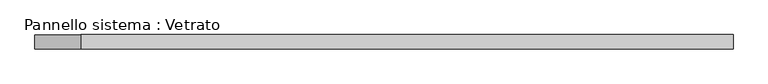
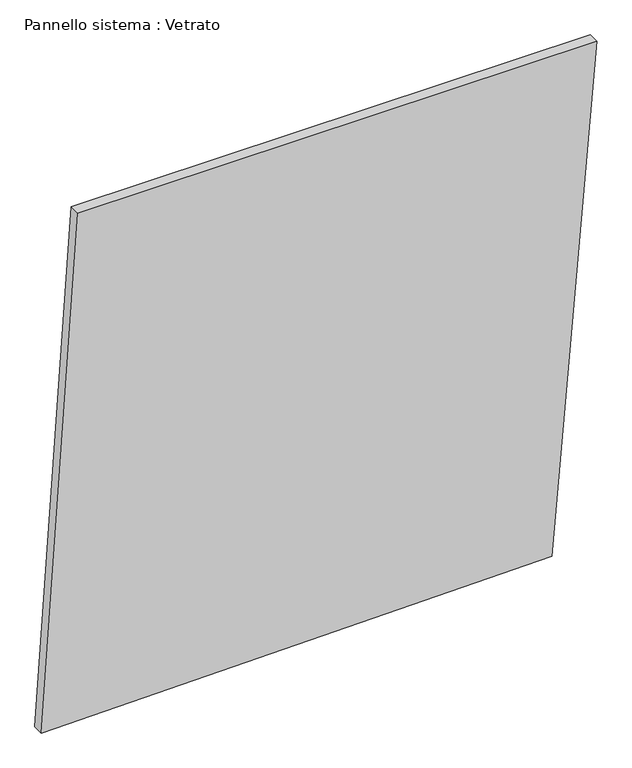
"""IFC4 building model written with IfcOpenShell, lengths in millimetres: plate geometry, Pannello sistema : Vetrato."""

import ifcopenshell
import ifcopenshell.guid

model = None  # the IFC model being written
_history = None  # IfcOwnerHistory: only IFC2X3 demands one
_inside = {}  # id of a spatial element -> (the spatial element, [elements in it])
_under = {}  # id of a project, library or spatial element -> (it, [spatial elements below it])
_declared = {}  # id of a project -> (the project, [libraries it declares])
_typed = {}  # id of a type object -> (the type object, [elements of that type])
_made_of = {}  # id of a material, layer set ... -> (it, [elements and type objects made of it])


def new_model(schema):
    """Start an empty IFC model of exactly this schema.

    Asked for "IFC4X3", IfcOpenShell would pick the latest addendum, in which some entities
    have other attributes; the version numbers below select the first issue.
    IFC2X3 requires an IfcOwnerHistory on every rooted entity: one is made here for all.
    """
    global model, _history
    if schema == "IFC4X3":
        model = ifcopenshell.file(schema_version=(4, 3, 0, 0))
    else:
        model = ifcopenshell.file(schema=schema)
    _inside.clear()
    _under.clear()
    _declared.clear()
    _typed.clear()
    _made_of.clear()
    _history = None
    if model.schema == "IFC2X3":
        org = make("IfcOrganization", Name="unknown")
        user = make(
            "IfcPersonAndOrganization",
            ThePerson=make("IfcPerson", FamilyName="unknown"),
            TheOrganization=org,
        )
        app = make(
            "IfcApplication",
            ApplicationDeveloper=org,
            Version="unknown",
            ApplicationFullName="unknown",
            ApplicationIdentifier="unknown",
        )
        _history = make(
            "IfcOwnerHistory",
            OwningUser=user,
            OwningApplication=app,
            ChangeAction="ADDED",
            CreationDate=0,
        )
    return model


def make(cls, **values):
    """One entity of the class cls with the attributes given. An attribute that is None is left unset."""
    return model.create_entity(
        cls, **{name: value for name, value in values.items() if value is not None}
    )


def rooted(cls, **values):
    """An entity with a GlobalId (a new one), such as an element, a storey or a relation."""
    return make(cls, GlobalId=ifcopenshell.guid.new(), OwnerHistory=_history, **values)


def si_unit(unit_type, name, prefix=None):
    """IfcSIUnit, for example si_unit("LENGTHUNIT", "METRE", prefix="MILLI")."""
    return make("IfcSIUnit", UnitType=unit_type, Prefix=prefix, Name=name)


def assignment(units):
    """IfcUnitAssignment: the units of a project."""
    return None if units is None else make("IfcUnitAssignment", Units=units)


def point(xyz):
    """IfcCartesianPoint."""
    return None if xyz is None else make("IfcCartesianPoint", Coordinates=xyz)


def direction(xyz):
    """IfcDirection."""
    return None if xyz is None else make("IfcDirection", DirectionRatios=xyz)


def frame(location, z_axis=None, x_axis=None):
    """IfcAxis2Placement3D, a coordinate frame: its origin and axes. An axis left out is left unset."""
    return make(
        "IfcAxis2Placement3D",
        Location=point(location),
        Axis=direction(z_axis),
        RefDirection=direction(x_axis),
    )


def origin():
    """The frame at (0, 0, 0) with its axes left unset."""
    return frame((0.0, 0.0, 0.0))


def place(relative_to, where):
    """IfcLocalPlacement: puts the frame where relative to a parent placement (None: the world)."""
    return make(
        "IfcLocalPlacement", PlacementRelTo=relative_to, RelativePlacement=where
    )


def context(
    kind, dimensions, precision=None, world=None, true_north=None, identifier=None
):
    """IfcGeometricRepresentationContext, for example the 3D "Model" context."""
    return make(
        "IfcGeometricRepresentationContext",
        ContextIdentifier=identifier,
        ContextType=kind,
        CoordinateSpaceDimension=dimensions,
        Precision=precision,
        WorldCoordinateSystem=world,
        TrueNorth=true_north,
    )


def project(units=None, contexts=None):
    """IfcProject with its units and contexts."""
    return rooted(
        "IfcProject",
        Name="project",
        RepresentationContexts=contexts,
        UnitsInContext=assignment(units),
    )


def spatial(cls, under=None, at=None, **own):
    """A site, building, storey or space (cls), placed at a placement, below another one or the project."""
    s = rooted(cls, ObjectPlacement=at, **own)
    if under is not None:
        _under.setdefault(under.id(), (under, []))[1].append(s)
    return s


def polyline(points):
    """IfcPolyline through the points."""
    return make("IfcPolyline", Points=[point(p) for p in points])


def outline(outer, holes=None, kind="AREA"):
    """IfcArbitraryClosedProfileDef: a profile drawn as a closed curve; with holes, ...WithVoids."""
    if holes is None:
        return make("IfcArbitraryClosedProfileDef", ProfileType=kind, OuterCurve=outer)
    return make(
        "IfcArbitraryProfileDefWithVoids",
        ProfileType=kind,
        OuterCurve=outer,
        InnerCurves=holes,
    )


def extrude(swept, where, along, depth):
    """IfcExtrudedAreaSolid: the profile swept, set in the frame where, extruded along a direction by depth."""
    return make(
        "IfcExtrudedAreaSolid",
        SweptArea=swept,
        Position=where,
        ExtrudedDirection=direction(along),
        Depth=depth,
    )


def shape(context_of_items, identifier, shape_type, items):
    """IfcShapeRepresentation: the items that make up one representation, for example the "Body"."""
    return make(
        "IfcShapeRepresentation",
        ContextOfItems=context_of_items,
        RepresentationIdentifier=identifier,
        RepresentationType=shape_type,
        Items=items,
    )


def source(mapping_origin, context_of_items, identifier, shape_type, items):
    """IfcRepresentationMap: a shape defined once, which mapped items show again and again."""
    return make(
        "IfcRepresentationMap",
        MappingOrigin=mapping_origin,
        MappedRepresentation=shape(context_of_items, identifier, shape_type, items),
    )


def transform(
    local_origin,
    x_axis=None,
    y_axis=None,
    z_axis=None,
    scale=None,
    scale2=None,
    scale3=None,
    uniform=True,
):
    """IfcCartesianTransformationOperator3D, or its non-uniform kind. x_axis, y_axis, z_axis: its Axis1, 2, 3."""
    if uniform:
        return make(
            "IfcCartesianTransformationOperator3D",
            Axis1=direction(x_axis),
            Axis2=direction(y_axis),
            LocalOrigin=point(local_origin),
            Scale=scale,
            Axis3=direction(z_axis),
        )
    return make(
        "IfcCartesianTransformationOperator3DnonUniform",
        Axis1=direction(x_axis),
        Axis2=direction(y_axis),
        LocalOrigin=point(local_origin),
        Scale=scale,
        Axis3=direction(z_axis),
        Scale2=scale2,
        Scale3=scale3,
    )


def mapped(mapping_source, mapping_target):
    """IfcMappedItem: shows the shape of a source again, moved by a transform."""
    return make(
        "IfcMappedItem", MappingSource=mapping_source, MappingTarget=mapping_target
    )


def made_of(thing, what):
    """Note that an element or type object is made of a material, layer set ...; save() writes the relation."""
    if what is not None:
        _made_of.setdefault(what.id(), (what, []))[1].append(thing)
    return thing


def element(
    cls,
    number,
    at=None,
    inside=None,
    cuts=None,
    type_object=None,
    material=None,
    context=None,
    identifier="Body",
    shape_type=None,
    held_by="IfcProductDefinitionShape",
    body=None,
    shapes=None,
    **own,
):
    """One element of the class cls, such as IfcWall. Its Tag is "e" and its number.

    at: its placement. inside: the storey or other place that contains it. cuts: it is an
    opening in that element (IfcRelVoidsElement). A single representation is given by context,
    identifier, shape_type and body (its items); several are given by shapes. held_by: the class
    of the entity that holds the representations. save() writes the other relations.
    """
    e = rooted(cls, Tag="e%d" % number, ObjectPlacement=at, **own)
    if body is not None:
        shapes = [shape(context, identifier, shape_type, body)]
    if shapes is not None:
        e.Representation = make(held_by, Representations=shapes)
    if inside is not None:
        _inside.setdefault(inside.id(), (inside, []))[1].append(e)
    if cuts is not None:
        rooted(
            "IfcRelVoidsElement", RelatingBuildingElement=cuts, RelatedOpeningElement=e
        )
    if type_object is not None:
        _typed.setdefault(type_object.id(), (type_object, []))[1].append(e)
    return made_of(e, material)


def aggregate(whole, parts):
    """IfcRelAggregates: a whole, such as a stair, and the parts it consists of."""
    return rooted("IfcRelAggregates", RelatingObject=whole, RelatedObjects=parts)


def save(model, path):
    """Write the relations noted so far, then the file.

    IfcRelAggregates (storeys below a building ...), IfcRelContainedInSpatialStructure (elements
    in a storey), IfcRelDefinesByType, IfcRelAssociatesMaterial and IfcRelDeclares: one each for
    every whole, place, type object, material and project.
    """
    for whole, parts in _under.values():
        aggregate(whole, parts)
    for where, things in _inside.values():
        rooted(
            "IfcRelContainedInSpatialStructure",
            RelatedElements=things,
            RelatingStructure=where,
        )
    for kind, things in _typed.values():
        rooted("IfcRelDefinesByType", RelatedObjects=things, RelatingType=kind)
    for what, things in _made_of.values():
        rooted("IfcRelAssociatesMaterial", RelatedObjects=things, RelatingMaterial=what)
    for by, libraries in _declared.values():
        rooted("IfcRelDeclares", RelatingContext=by, RelatedDefinitions=libraries)
    model.write(path)


def pannello_sistema_vetrato_717613d2(model_context):
    return source(origin(), model_context, "Body", "SweptSolid", [
        extrude(outline(polyline([(0.0, -732.8218378), (21.7870219, 613.4720006), (1414.9741789, 732.8218378), (1414.9741597, -636.6588267), (0.0, -732.8218378)])), frame((0.0, -15.0, 0.0), z_axis=(0.0, 1.0, 0.0), x_axis=(0.0, 0.0, 1.0)), (0.0, 0.0, 1.0), 30.0),
    ])


if __name__ == "__main__":
    model = new_model("IFC4")
    model_context = context("Model", 3, world=origin())
    ifc_project = project(units=[si_unit("LENGTHUNIT", "METRE", prefix="MILLI")], contexts=[model_context])
    site = spatial("IfcSite", under=ifc_project)
    building = spatial("IfcBuilding", under=site)
    placement = place(None, origin())
    pannello_sistema_vetrato_shape = pannello_sistema_vetrato_717613d2(model_context)
    element("IfcPlate", 1, ObjectType="Pannello sistema : Vetrato", at=placement, inside=building, context=model_context, shape_type="MappedRepresentation", body=[
        mapped(pannello_sistema_vetrato_shape, transform((0.0, 0.0, 0.0), x_axis=(1.0, 0.0, 0.0), y_axis=(0.0, 1.0, 0.0), z_axis=(0.0, 0.0, 1.0))),
    ])
    save(model, "model.ifc")
